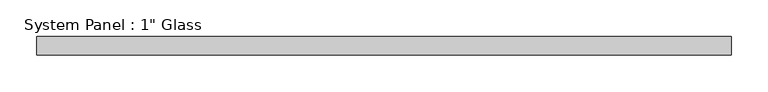
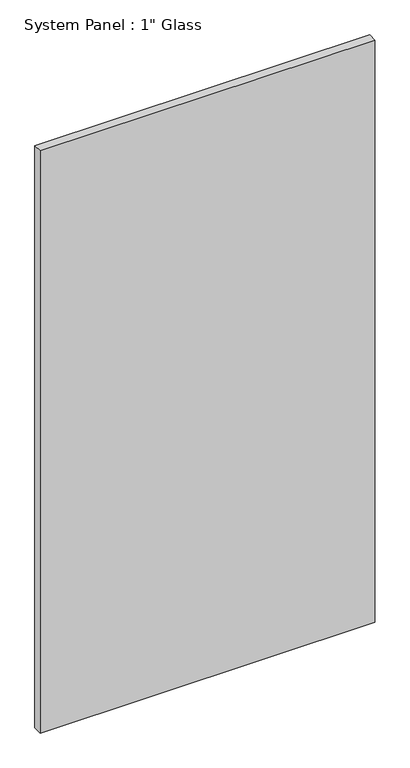
"""IFC4 building model written with IfcOpenShell, lengths in millimetres: plate geometry."""

from ifc_helpers import new_model, si_unit, origin, origin_with_axes, place, context, project, spatial, polyline, outline, extrude, source, transform, mapped, element, save


def plate_62534103(model_context):
    return source(origin(), model_context, "Body", "SweptSolid", [
        extrude(outline(polyline([(473.075, -12.7), (-473.075, -12.7), (-473.075, 12.7), (473.075, 12.7), (473.075, -12.7)])), origin_with_axes(), (0.0, 0.0, 1.0), 1739.9),
    ])


if __name__ == "__main__":
    model = new_model("IFC4")
    model_context = context("Model", 3, world=origin())
    ifc_project = project(units=[si_unit("LENGTHUNIT", "METRE", prefix="MILLI")], contexts=[model_context])
    site = spatial("IfcSite", under=ifc_project)
    building = spatial("IfcBuilding", under=site)
    placement = place(None, origin())
    plate_shape = plate_62534103(model_context)
    element("IfcPlate", 1, ObjectType="System Panel : 1\" Glass", at=placement, inside=building, context=model_context, shape_type="MappedRepresentation", body=[
        mapped(plate_shape, transform((0.0, 0.0, 0.0), x_axis=(1.0, 0.0, 0.0), y_axis=(0.0, 1.0, 0.0), z_axis=(0.0, 0.0, 1.0))),
    ])
    save(model, "model.ifc")
